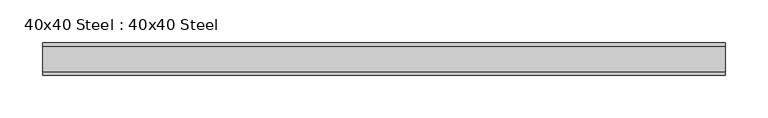
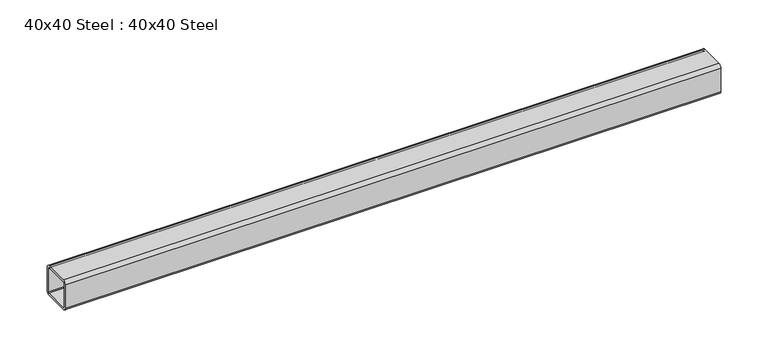
"""IFC4 building model written with IfcOpenShell, lengths in millimetres: proxy geometry, 40x40 Steel : 40x40 Steel."""

from ifc_helpers import new_model, si_unit, point, frame, frame_2d, origin, place, context, project, spatial, polyline, circle_curve, trimmed, segment, composite_curve, outline, extrude, source, transform, mapped, element, save


def proxy_40x40_steel_40x40_steel_77afc7cb(model_context):
    return source(origin(), model_context, "Body", "SweptSolid", [
        extrude(outline(composite_curve([segment(trimmed(circle_curve(frame_2d((34.1, 4.0)), 4.0), [point((38.1, 4.0))], [point((34.1, 0.0))], False, "CARTESIAN"), True, "CONTINUOUS"), segment(polyline([(34.1, 0.0), (4.0, 0.0)]), True, "CONTINUOUS"), segment(trimmed(circle_curve(frame_2d((4.0, 4.0)), 4.0), [point((4.0, 0.0))], [point((0.0, 4.0))], False, "CARTESIAN"), True, "CONTINUOUS"), segment(polyline([(0.0, 4.0), (0.0, 34.1)]), True, "CONTINUOUS"), segment(trimmed(circle_curve(frame_2d((4.0, 34.1)), 4.0), [point((0.0, 34.1))], [point((4.0, 38.1))], False, "CARTESIAN"), True, "CONTINUOUS"), segment(polyline([(4.0, 38.1), (34.1, 38.1)]), True, "CONTINUOUS"), segment(trimmed(circle_curve(frame_2d((34.1, 34.1)), 4.0), [point((34.1, 38.1))], [point((38.1, 34.1))], False, "CARTESIAN"), True, "CONTINUOUS"), segment(polyline([(38.1, 34.1), (38.1, 4.0)]), True, "CONTINUOUS")], self_intersect=False), holes=[composite_curve([segment(polyline([(35.1, 4.0), (35.1, 34.1)]), True, "CONTINUOUS"), segment(trimmed(circle_curve(frame_2d((34.1, 34.1)), 1.0), [point((35.1, 34.1))], [point((34.1, 35.1))], True, "CARTESIAN"), True, "CONTINUOUS"), segment(polyline([(34.1, 35.1), (4.0, 35.1)]), True, "CONTINUOUS"), segment(trimmed(circle_curve(frame_2d((4.0, 34.1)), 1.0), [point((4.0, 35.1))], [point((3.0, 34.1))], True, "CARTESIAN"), True, "CONTINUOUS"), segment(polyline([(3.0, 34.1), (3.0, 4.0)]), True, "CONTINUOUS"), segment(trimmed(circle_curve(frame_2d((4.0, 4.0)), 1.0), [point((3.0, 4.0))], [point((4.0, 3.0))], True, "CARTESIAN"), True, "CONTINUOUS"), segment(polyline([(4.0, 3.0), (34.1, 3.0)]), True, "CONTINUOUS"), segment(trimmed(circle_curve(frame_2d((34.1, 4.0)), 1.0), [point((34.1, 3.0))], [point((35.1, 4.0))], True, "CARTESIAN"), True, "CONTINUOUS")], self_intersect=False)]), frame((0.0, 0.0, 0.0), z_axis=(1.0, 0.0, 0.0), x_axis=(0.0, 1.0, 0.0)), (0.0, 0.0, 1.0), 800.0),
    ])


if __name__ == "__main__":
    model = new_model("IFC4")
    model_context = context("Model", 3, world=origin())
    ifc_project = project(units=[si_unit("LENGTHUNIT", "METRE", prefix="MILLI")], contexts=[model_context])
    site = spatial("IfcSite", under=ifc_project)
    building = spatial("IfcBuilding", under=site)
    placement = place(None, origin())
    proxy_40x40_steel_40x40_steel_shape = proxy_40x40_steel_40x40_steel_77afc7cb(model_context)
    element("IfcBuildingElementProxy", 1, Name="40x40 Steel : 40x40 Steel", ObjectType="40x40 Steel : 40x40 Steel", at=placement, inside=building, context=model_context, shape_type="MappedRepresentation", body=[
        mapped(proxy_40x40_steel_40x40_steel_shape, transform((0.0, 0.0, 0.0), x_axis=(1.0, 0.0, 0.0), y_axis=(0.0, 1.0, 0.0), z_axis=(0.0, 0.0, 1.0))),
    ])
    save(model, "model.ifc")
